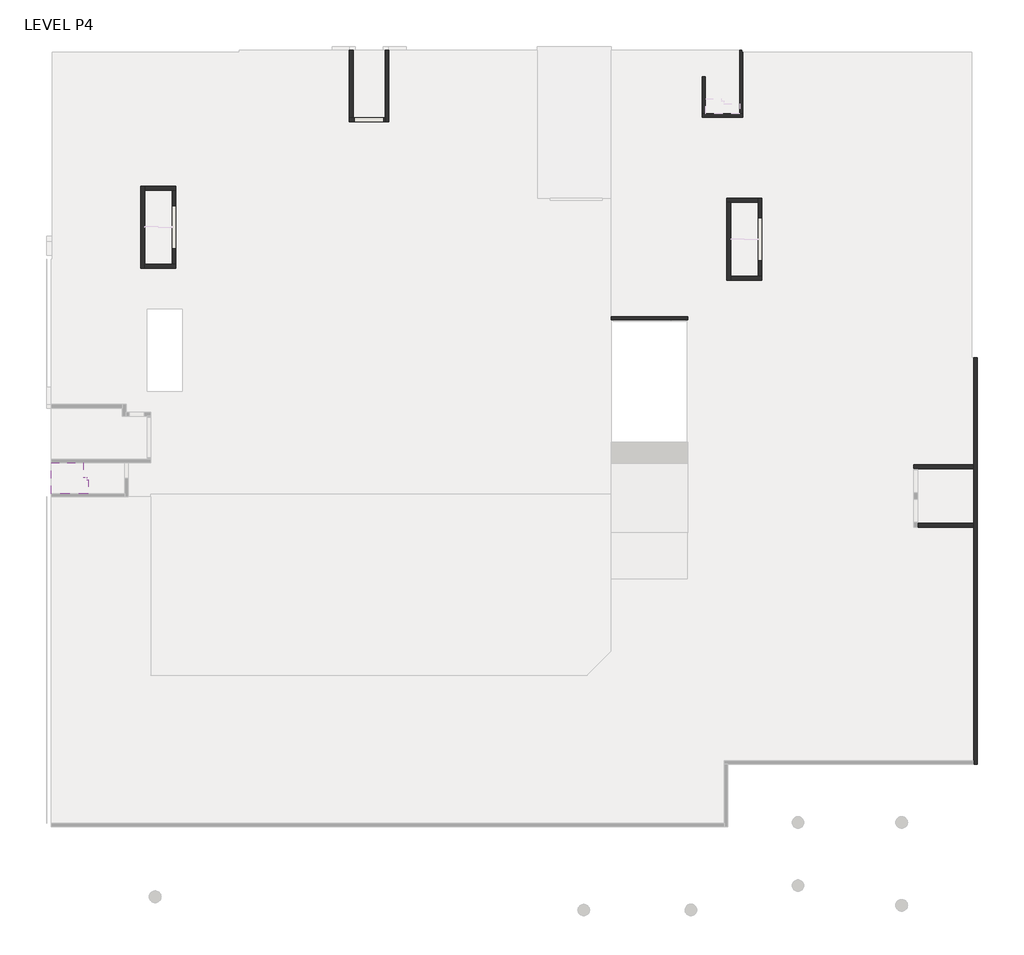
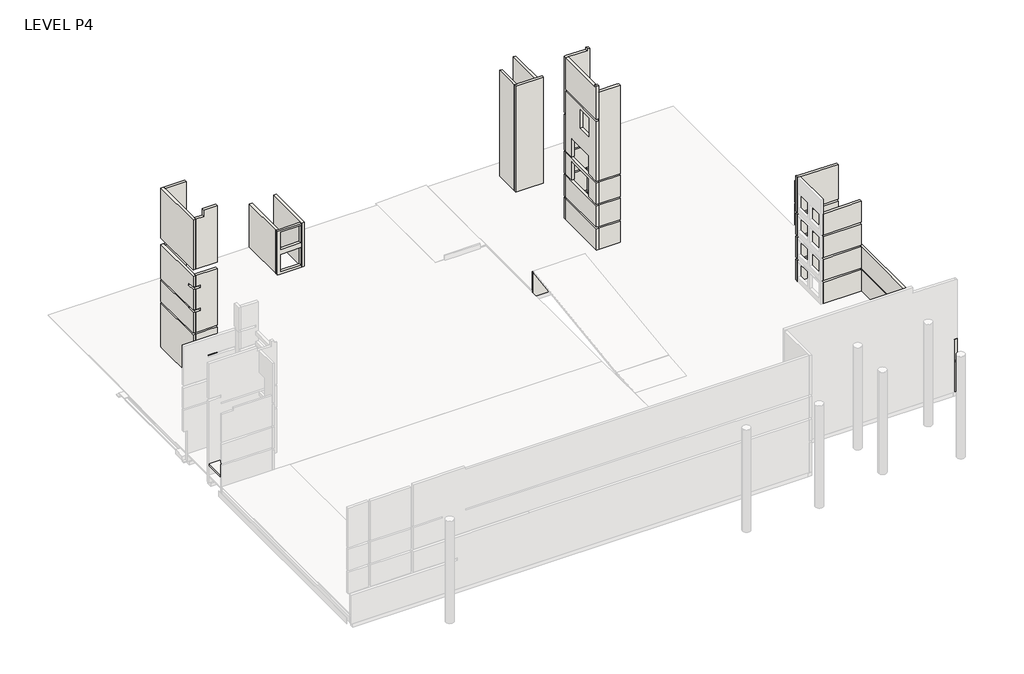
# One storey, part 2 of 4: 18 walls, 1 slab.
"""IFC4 building model written with IfcOpenShell, lengths in millimetres."""

from ifc_helpers import new_model, si_unit, frame, origin, place, context, project, spatial, polyline, outline, extrude, faceted_brep, element, save

model = new_model("IFC4")

# Units and contexts
model_context = context("Model", 3, world=origin())
ifc_project = project(units=[si_unit("LENGTHUNIT", "METRE", prefix="MILLI")], contexts=[model_context])

# Site, building, storey
site = spatial("IfcSite", under=ifc_project)
building = spatial("IfcBuilding", under=site)
storey = spatial("IfcBuildingStorey", under=building, Name="LEVEL P4", Elevation=-13800.0)

# Slab
placement = place(None, origin())
element("IfcSlab", 1, ObjectType="200 SLAB", at=placement, inside=storey, context=model_context, shape_type="SweptSolid", body=[
    extrude(outline(polyline([(181286.3204833, 183507.2325529), (178361.1491693, 183507.2325529), (178361.1491693, 185907.2325529), (180906.3204833, 185907.2325529), (180906.3204833, 184807.2325529), (181161.3204833, 184807.2325529), (181161.3204833, 184607.2325529), (181286.3204833, 184607.2325529), (181286.3204833, 183507.2325529)])), frame((0.0, 0.0, -12600.0), z_axis=(0.0, 0.0, 1.0), x_axis=(1.0, 0.0, 0.0)), (0.0, 0.0, 1.0), 200.0),
])

# Walls
element("IfcWall", 2, ObjectType="200 WALL", at=placement, inside=storey, context=model_context, shape_type="Brep", body=[
    faceted_brep([(222296.1491692, 197157.6490053, -14250.0), (226971.1491692, 197157.6490053, -14250.0), (226971.1491692, 197157.6490053, -14350.0), (228296.1491692, 197157.6490053, -14350.0), (228296.1491692, 197157.6490053, -11297.6240025), (222296.1491692, 197157.6490053, -11297.6240025), (226971.1491692, 197357.6490053, -14250.0), (222296.1491692, 197357.6490053, -14250.0), (222296.1491692, 197357.6490053, -11282.5555093), (228296.1491692, 197357.6490053, -11282.5555093), (228296.1491692, 197357.6490053, -14350.0), (226971.1491692, 197357.6490053, -14350.0)], [[[0, 1, 2, 3, 4, 5]], [[6, 7, 8, 9, 10, 11]], [[1, 0, 7, 6]], [[3, 10, 9, 4]], [[7, 0, 5, 8]], [[2, 1, 6, 11]], [[3, 2, 11, 10]], [[5, 4, 9, 8]]]),
])
element("IfcWall", 3, ObjectType="250 WALL", at=placement, inside=storey, context=model_context, shape_type="Brep", body=[
    faceted_brep([(232625.5971201, 213278.2318341, -14250.0), (232375.5971201, 213278.2318341, -14250.0), (229682.0250868, 213278.2318341, -14250.0), (229432.0250868, 213278.2318341, -14250.0), (229432.0250868, 213278.2318341, -660.0), (232625.5971201, 213278.2318341, -660.0), (232625.5971201, 213278.2318341, -1460.0), (232625.5971201, 213278.2318341, -5200.0), (232625.5971201, 213278.2318341, -5400.0), (232625.5971201, 213278.2318341, -8000.0), (232625.5971201, 213278.2318341, -8200.0), (232625.5971201, 213278.2318341, -10800.0), (232625.5971201, 213278.2318341, -11050.0), (232625.5971201, 213028.2318341, -14250.0), (232625.5971201, 213028.2318341, -660.0), (229432.0250868, 213028.2318341, -660.0), (229432.0250868, 213028.2318341, -14250.0)], [[[0, 1, 2, 3, 4, 5, 6, 7, 8, 9, 10, 11, 12]], [[13, 14, 15, 16]], [[3, 2, 1, 0, 13, 16]], [[5, 4, 15, 14]], [[4, 3, 16, 15]], [[0, 12, 11, 10, 9, 8, 7, 6, 5, 14, 13]]]),
])
element("IfcWall", 4, ObjectType="250 WALL", at=placement, inside=storey, context=model_context, shape_type="Brep", body=[
    faceted_brep([(229682.0250868, 213278.2318341, -14250.0), (229682.0250868, 216183.2318341, -14250.0), (229682.0250868, 216183.2318341, -650.0), (229682.0250868, 213278.2318341, -650.0), (229432.0250868, 213278.2318341, -14250.0), (229432.0250868, 213278.2318341, -660.0), (229432.0250868, 213278.2318341, -650.0), (229432.0250868, 216183.2318341, -650.0), (229432.0250868, 216183.2318341, -14250.0)], [[[0, 1, 2, 3]], [[4, 5, 6, 7, 8]], [[1, 0, 4, 8]], [[2, 1, 8, 7]], [[3, 2, 7, 6]], [[0, 3, 6, 5, 4]]]),
])
element("IfcWall", 5, ObjectType="250 WALL", at=placement, inside=storey, context=model_context, shape_type="Brep", body=[
    faceted_brep([(232375.5971201, 216763.2318341, -14250.0), (232375.5971201, 213278.2318341, -14250.0), (232375.5971201, 213278.2318341, -11000.0), (232375.5971201, 215734.5274851, -11000.0), (232375.5971201, 218263.2318341, -11000.0), (232375.5971201, 218263.2318341, -14050.0), (232375.5971201, 216763.2318341, -14050.0), (232625.5971201, 213278.2318341, -14250.0), (232625.5971201, 216763.2318341, -14250.0), (232625.5971201, 216763.2318341, -14050.0), (232625.5971201, 218113.2318341, -14050.0), (232625.5971201, 218113.2318341, -11050.0), (232625.5971201, 213278.2318341, -11050.0), (232377.4721706, 213278.2318341, -11050.0), (232377.4721706, 213278.2318341, -11000.0), (232525.5971201, 218263.2318341, -14050.0), (232525.5971201, 218113.2318341, -14050.0), (232377.4721706, 218263.2318341, -11000.0), (232377.4721706, 218263.2318341, -11050.0), (232525.5971201, 218263.2318341, -11050.0), (232525.5971201, 218263.2318341, -13950.0), (232525.5971201, 218113.2318341, -11050.0), (232525.5971201, 218113.2318341, -13950.0)], [[[0, 1, 2, 3, 4, 5, 6]], [[7, 8, 9, 10, 11, 12]], [[1, 7, 12, 13, 14, 2]], [[1, 0, 8, 7]], [[6, 5, 15, 16, 10, 9]], [[0, 6, 9, 8]], [[15, 5, 4, 17, 18, 19, 20]], [[16, 15, 20, 19, 21, 22]], [[10, 16, 22, 21, 11]], [[18, 13, 12, 11, 21, 19]], [[13, 18, 17, 14]], [[3, 2, 14, 17, 4]]]),
    faceted_brep([(232375.5971201, 213278.2318341, -1460.0), (232375.5971201, 218563.2318341, -1460.0), (232375.5971201, 218563.2318341, -5200.0), (232375.5971201, 217012.9612391, -5200.0), (232375.5971201, 213278.2318341, -5200.0), (232625.5971201, 218563.2318341, -1460.0), (232625.5971201, 218263.2318341, -1460.0), (232625.5971201, 213278.2318341, -1460.0), (232625.5971201, 213278.2318341, -5200.0), (232625.5971201, 218563.2318341, -5200.0)], [[[0, 1, 2, 3, 4]], [[5, 6, 7, 8, 9]], [[7, 0, 4, 8]], [[1, 0, 7, 6, 5]], [[1, 5, 9, 2]], [[3, 2, 9, 8, 4]]]),
    faceted_brep([(232375.5971201, 218263.2318341, -10800.0), (232375.5971201, 215734.5274851, -10800.0), (232375.5971201, 213278.2318341, -10800.0), (232375.5971201, 213278.2318341, -8200.0), (232375.5971201, 215734.5274851, -8200.0), (232375.5971201, 218263.2318341, -8200.0), (232625.5971201, 213278.2318341, -10800.0), (232625.5971201, 218113.2318341, -10800.0), (232625.5971201, 218113.2318341, -8200.0), (232625.5971201, 213278.2318341, -8200.0), (232525.5971201, 218263.2318341, -8200.0), (232525.5971201, 218263.2318341, -10800.0), (232525.5971201, 218113.2318341, -8200.0), (232525.5971201, 218113.2318341, -10800.0)], [[[0, 1, 2, 3, 4, 5]], [[6, 7, 8, 9]], [[2, 6, 9, 3]], [[10, 11, 0, 5]], [[11, 10, 12, 13]], [[8, 7, 13, 12]], [[7, 6, 2, 1, 0, 11, 13]], [[5, 4, 3, 9, 8, 12, 10]]]),
    faceted_brep([(232375.5971201, 218563.2318341, -8000.0), (232375.5971201, 215734.5274851, -8000.0), (232375.5971201, 213278.2318341, -8000.0), (232375.5971201, 213278.2318341, -5400.0), (232375.5971201, 217012.9612391, -5400.0), (232375.5971201, 218563.2318341, -5400.0), (232625.5971201, 213278.2318341, -8000.0), (232625.5971201, 218563.2318341, -8000.0), (232625.5971201, 218563.2318341, -5400.0), (232625.5971201, 213278.2318341, -5400.0)], [[[0, 1, 2, 3, 4, 5]], [[6, 7, 8, 9]], [[2, 6, 9, 3]], [[7, 0, 5, 8]], [[1, 0, 7, 6, 2]], [[5, 4, 3, 9, 8]]]),
])
element("IfcWall", 6, ObjectType="300 WALL", at=placement, inside=storey, context=model_context, shape_type="Brep", body=[
    faceted_brep([(251011.1491692, 178963.2322067, -14650.0), (251011.1491692, 187113.2318341, -14650.0), (251011.1491692, 187113.2318341, -14300.0), (251011.1491692, 187713.2318341, -14300.0), (251011.1491692, 187713.2318341, -13950.0), (251011.1491692, 194163.2322067, -13950.0), (251011.1491692, 194163.2322067, -11000.0), (251011.1491692, 185463.2318341, -11000.0), (251011.1491692, 185463.2318341, -10800.0), (251011.1491692, 194163.2322067, -10800.0), (251011.1491692, 194163.2322067, -8200.0), (251011.1491692, 185463.2318341, -8200.0), (251011.1491692, 181163.2322067, -8200.0), (251011.1491692, 162563.2318341, -8200.0), (251011.1491692, 162263.2318341, -8200.0), (251011.1491692, 162263.2318341, -10800.0), (251011.1491692, 181163.2322067, -10800.0), (251011.1491692, 181163.2322067, -11000.0), (251011.1491692, 162263.2318341, -11000.0), (251011.1491692, 162263.2318341, -14650.0), (250711.1491692, 187113.2318341, -14650.0), (250711.1491692, 180863.2322067, -14650.0), (250711.1491692, 178963.2322067, -14650.0), (250711.1491692, 162563.2318341, -14650.0), (250711.1491692, 162263.2318341, -14650.0), (250711.1491692, 162263.2318341, -11000.0), (250711.1491692, 180863.2322067, -11000.0), (250711.1491692, 181163.2322067, -11000.0), (250711.1491692, 181163.2322067, -10800.0), (250711.1491692, 180863.2322067, -10800.0), (250711.1491692, 162263.2318341, -10800.0), (250711.1491692, 162263.2318341, -8200.0), (250711.1491692, 162563.2318341, -8200.0), (250711.1491692, 180863.2322067, -8200.0), (250711.1491692, 181163.2322067, -8200.0), (250711.1491692, 185463.2318341, -8200.0), (250711.1491692, 185763.2318341, -8200.0), (250711.1491692, 194163.2322067, -8200.0), (250711.1491692, 194163.2322067, -10800.0), (250711.1491692, 185763.2318341, -10800.0), (250711.1491692, 185463.2318341, -10800.0), (250711.1491692, 185463.2318341, -11000.0), (250711.1491692, 185763.2318341, -11000.0), (250711.1491692, 194163.2322067, -11000.0), (250711.1491692, 194163.2322067, -13950.0), (250711.1491692, 187713.2318341, -13950.0), (250711.1491692, 187713.2318341, -14300.0), (250711.1491692, 187113.2318341, -14300.0)], [[[0, 1, 2, 3, 4, 5, 6, 7, 8, 9, 10, 11, 12, 13, 14, 15, 16, 17, 18, 19]], [[20, 21, 22, 23, 24, 25, 26, 27, 28, 29, 30, 31, 32, 33, 34, 35, 36, 37, 38, 39, 40, 41, 42, 43, 44, 45, 46, 47]], [[24, 19, 18, 25]], [[14, 31, 30, 15]], [[41, 7, 6, 43, 42]], [[17, 27, 26, 25, 18]], [[8, 40, 39, 38, 9]], [[28, 16, 15, 30, 29]], [[7, 41, 40, 8]], [[27, 17, 16, 28]], [[1, 0, 22, 21, 20]], [[37, 10, 9, 38]], [[5, 44, 43, 6]], [[14, 13, 12, 11, 10, 37, 36, 35, 34, 33, 32, 31]], [[0, 19, 24, 23, 22]], [[2, 1, 20, 47]], [[5, 4, 45, 44]], [[3, 2, 47, 46]], [[4, 3, 46, 45]]]),
])
element("IfcWall", 7, ObjectType="300 WALL", at=placement, inside=storey, context=model_context, shape_type="Brep", body=[
    faceted_brep([(246011.1491692, 185463.2318341, -14750.0), (246311.1491692, 185463.2318341, -14750.0), (250711.1491692, 185463.2318341, -14750.0), (250711.1491692, 185463.2318341, -11000.0), (246311.1491692, 185463.2318341, -11000.0), (246011.1491692, 185463.2318341, -11000.0), (250711.1491692, 185763.2318341, -14750.0), (246011.1491692, 185763.2318341, -14750.0), (246011.1491692, 185763.2318341, -11000.0), (250711.1491692, 185763.2318341, -11000.0)], [[[0, 1, 2, 3, 4, 5]], [[6, 7, 8, 9]], [[5, 8, 7, 0]], [[9, 3, 2, 6]], [[4, 3, 9, 8, 5]], [[2, 1, 0, 7, 6]]]),
    faceted_brep([(246311.1491692, 185463.2318341, -10800.0), (250711.1491692, 185463.2318341, -10800.0), (250711.1491692, 185463.2318341, -8200.0), (246311.1491692, 185463.2318341, -8200.0), (246011.1491692, 185463.2318341, -8200.0), (246011.1491692, 185463.2318341, -10800.0), (250711.1491692, 185763.2318341, -10800.0), (246011.1491692, 185763.2318341, -10800.0), (246011.1491692, 185763.2318341, -8200.0), (250711.1491692, 185763.2318341, -8200.0)], [[[0, 1, 2, 3, 4, 5]], [[6, 7, 8, 9]], [[7, 5, 4, 8]], [[1, 6, 9, 2]], [[1, 0, 5, 7, 6]], [[3, 2, 9, 8, 4]]]),
    faceted_brep([(246011.1491692, 185463.2318341, -5200.0), (246311.1491692, 185463.2318341, -5200.0), (250711.1491692, 185463.2318341, -5200.0), (250711.1491692, 185463.2318341, -991.2738232), (248711.1491692, 185463.2318341, -932.3767887), (246311.1491692, 185463.2318341, -861.7003473), (246011.1491692, 185463.2318341, -852.8657922), (250711.1491692, 185763.2318341, -5200.0), (246011.1491692, 185763.2318341, -5200.0), (246011.1491692, 185763.2318341, -1980.0), (246011.1491692, 185763.2318341, -852.8657922), (246311.1491692, 185763.2318341, -861.7003473), (250711.1491692, 185763.2318341, -991.2738232)], [[[0, 1, 2, 3, 4, 5, 6]], [[7, 8, 9, 10, 11, 12]], [[8, 0, 6, 10, 9]], [[2, 7, 12, 3]], [[4, 3, 12, 11, 10, 6, 5]], [[1, 0, 8, 7, 2]]]),
    faceted_brep([(246311.1491692, 185463.2318341, -5400.0), (246011.1491692, 185463.2318341, -5400.0), (246011.1491692, 185463.2318341, -8000.0), (246311.1491692, 185463.2318341, -8000.0), (250711.1491692, 185463.2318341, -8000.0), (250711.1491692, 185463.2318341, -5400.0), (246011.1491692, 185763.2318341, -5400.0), (250711.1491692, 185763.2318341, -5400.0), (250711.1491692, 185763.2318341, -8000.0), (246011.1491692, 185763.2318341, -8000.0)], [[[0, 1, 2, 3, 4, 5]], [[6, 7, 8, 9]], [[1, 6, 9, 2]], [[7, 5, 4, 8]], [[1, 0, 5, 7, 6]], [[4, 3, 2, 9, 8]]]),
])
element("IfcWall", 8, ObjectType="300 WALL", at=placement, inside=storey, context=model_context, shape_type="SweptSolid", body=[
    extrude(outline(polyline([(246311.1491692, 181163.2322067), (250711.1491692, 181163.2322067), (250711.1491692, 180863.2322067), (246311.1491692, 180863.2322067), (246311.1491692, 181163.2322067)])), frame((0.0, 0.0, -14750.0), z_axis=(0.0, 0.0, 1.0), x_axis=(1.0, 0.0, 0.0)), (0.0, 0.0, 1.0), 3750.0),
    extrude(outline(polyline([(180863.2322067, -2643.5714289), (181163.2322067, -2650.0), (181163.2322067, -5200.0), (180863.2322067, -5200.0), (180863.2322067, -2643.5714289)])), frame((246311.1491692, 0.0, 0.0), z_axis=(1.0, 0.0, 0.0), x_axis=(0.0, 1.0, 0.0)), (0.0, 0.0, 1.0), 4400.0),
    extrude(outline(polyline([(246311.1491692, 181163.2322067), (250711.1491692, 181163.2322067), (250711.1491692, 180863.2322067), (246311.1491692, 180863.2322067), (246311.1491692, 181163.2322067)])), frame((0.0, 0.0, -10800.0), z_axis=(0.0, 0.0, 1.0), x_axis=(1.0, 0.0, 0.0)), (0.0, 0.0, 1.0), 2600.0),
    extrude(outline(polyline([(246311.1491692, 181163.2322067), (250711.1491692, 181163.2322067), (250711.1491692, 180863.2322067), (246311.1491692, 180863.2322067), (246311.1491692, 181163.2322067)])), frame((0.0, 0.0, -8000.0), z_axis=(0.0, 0.0, 1.0), x_axis=(1.0, 0.0, 0.0)), (0.0, 0.0, 1.0), 2600.0),
])
element("IfcWall", 9, ObjectType="300 WALL", at=placement, inside=storey, context=model_context, shape_type="Brep", body=[
    faceted_brep([(185401.1489205, 207608.1983002, -15850.0), (185401.1489205, 201193.1983002, -15850.0), (185401.1489205, 201193.1983002, -8400.0), (185401.1489205, 207608.1983002, -8400.0), (185701.1489205, 201193.1983002, -15850.0), (185701.1489205, 201493.1983002, -15850.0), (185701.1489205, 207308.1983002, -15850.0), (185701.1489205, 207608.1983002, -15850.0), (185701.1489205, 207608.1983002, -8400.0), (185701.1489205, 207308.2322067, -8400.0), (185701.1489205, 201493.2322067, -8400.0), (185701.1489205, 201193.1983002, -8400.0)], [[[0, 1, 2, 3]], [[4, 5, 6, 7, 8, 9, 10, 11]], [[1, 0, 7, 6, 5, 4]], [[7, 0, 3, 8]], [[1, 4, 11, 2]], [[3, 2, 11, 10, 9, 8]]]),
    faceted_brep([(185401.1489205, 207608.1983002, -8200.0), (185401.1489205, 201193.1983002, -8200.0), (185401.1489205, 201193.1983002, -5700.0), (185401.1489205, 202193.1983002, -5700.0), (185401.1489205, 202193.1983002, -5600.0), (185401.1489205, 207608.1983002, -5600.0), (185701.1489205, 207308.2322067, -8200.0), (185701.1489205, 207608.1983002, -8200.0), (185701.1489205, 207608.1983002, -5600.0), (185701.1489205, 207308.1983002, -5600.0), (185701.1489205, 202193.1983002, -5600.0), (185701.1489205, 202193.1983002, -5700.0), (185701.1489205, 201493.1983002, -5700.0), (185701.1489205, 201193.1983002, -5700.0), (185701.1489205, 201193.1983002, -8200.0), (185701.1489205, 201493.2322067, -8200.0)], [[[0, 1, 2, 3, 4, 5]], [[6, 7, 8, 9, 10, 11, 12, 13, 14, 15]], [[7, 0, 5, 8]], [[1, 14, 13, 2]], [[1, 0, 7, 6, 15, 14]], [[11, 3, 2, 13, 12]], [[3, 11, 10, 4]], [[5, 4, 10, 9, 8]]]),
    faceted_brep([(185401.1489205, 201193.1983002, -5400.0), (185401.1489205, 201193.1983002, -2900.0), (185401.1489205, 202182.2325529, -2900.0), (185401.1489205, 202182.2325529, -2600.0), (185401.1489205, 201193.1983002, -2600.0), (185401.1489205, 201193.1983002, -1280.0), (185401.1489205, 207608.1983002, -1280.0), (185401.1489205, 207608.1983002, -5400.0), (185701.1489205, 201193.1983002, -2900.0), (185701.1489205, 201193.1983002, -5400.0), (185701.1489205, 201493.1983002, -5400.0), (185701.1489205, 202182.2325529, -5400.0), (185701.1489205, 207308.1983002, -5400.0), (185701.1489205, 207608.1983002, -5400.0), (185701.1489205, 207608.1983002, -1280.0), (185701.1489205, 207308.1983002, -1280.0), (185701.1489205, 201493.1983002, -1280.0), (185701.1489205, 201193.1983002, -1280.0), (185701.1489205, 201193.1983002, -2600.0), (185701.1489205, 201493.1983002, -2600.0), (185701.1489205, 202182.2325529, -2600.0), (185701.1489205, 202182.2325529, -2900.0), (185701.1489205, 201493.1983002, -2900.0)], [[[0, 1, 2, 3, 4, 5, 6, 7]], [[8, 9, 10, 11, 12, 13, 14, 15, 16, 17, 18, 19, 20, 21, 22]], [[6, 14, 13, 7]], [[0, 9, 8, 1]], [[4, 18, 17, 5]], [[9, 0, 7, 13, 12, 11, 10]], [[21, 2, 1, 8, 22]], [[3, 20, 19, 18, 4]], [[2, 21, 20, 3]], [[6, 5, 17, 16, 15, 14]]]),
    faceted_brep([(185401.1489205, 207608.1983002, -480.0), (185401.1489205, 201493.2322067, -480.0), (185401.1489205, 201193.1983002, -480.0), (185401.1489205, 201193.1983002, 5600.0), (185401.1489205, 207608.1983002, 5600.0), (185701.1489205, 201193.1983002, -480.0), (185701.1489205, 201493.1983002, -480.0), (185701.1489205, 207308.1983002, -480.0), (185701.1489205, 207608.1983002, -480.0), (185701.1489205, 207608.1983002, 5600.0), (185701.1489205, 207308.2322067, 5600.0), (185701.1489205, 201493.2322067, 5600.0), (185701.1489205, 201193.1983002, 5600.0)], [[[0, 1, 2, 3, 4]], [[5, 6, 7, 8, 9, 10, 11, 12]], [[8, 0, 4, 9]], [[2, 5, 12, 3]], [[2, 1, 0, 8, 7, 6, 5]], [[4, 3, 12, 11, 10, 9]]]),
])
element("IfcWall", 10, ObjectType="300 WALL", at=placement, inside=storey, context=model_context, shape_type="Brep", body=[
    faceted_brep([(185701.1489205, 201193.1983002, -15850.0), (188161.1489205, 201193.1983002, -15850.0), (188161.1489205, 201193.1983002, -8400.0), (187556.1491692, 201193.1983002, -8400.0), (186201.1489175, 201193.1983002, -8400.0), (186041.1489175, 201193.1983002, -8400.0), (185701.1489205, 201193.1983002, -8400.0), (188161.1489205, 201493.1983002, -15850.0), (187861.1489205, 201493.1983002, -15850.0), (185701.1489205, 201493.1983002, -15850.0), (185701.1489205, 201493.1983002, -8400.0), (187861.1489205, 201493.1983002, -8400.0), (188161.1489205, 201493.1983002, -8400.0), (188161.1489205, 201493.1983002, -11000.0), (188161.1489205, 201493.1983002, -11200.0)], [[[0, 1, 2, 3, 4, 5, 6]], [[7, 8, 9, 10, 11, 12, 13, 14]], [[1, 0, 9, 8, 7]], [[9, 0, 6, 10]], [[1, 7, 14, 13, 12, 2]], [[3, 2, 12, 11, 10, 6, 5, 4]]]),
    faceted_brep([(186201.1489175, 201193.1983002, -2900.0), (185701.1489205, 201193.1983002, -2900.0), (185701.1489205, 201193.1983002, -5400.0), (186201.1489175, 201193.1983002, -5400.0), (186201.1489175, 201193.1983002, -5700.0), (185701.1489205, 201193.1983002, -5700.0), (185701.1489205, 201193.1983002, -8200.0), (186041.1489175, 201193.1983002, -8200.0), (186201.1489175, 201193.1983002, -8200.0), (187556.1491692, 201193.1983002, -8200.0), (188161.1489205, 201193.1983002, -8200.0), (188161.1489205, 201193.1983002, -1280.0), (188021.1489205, 201193.1983002, -1280.0), (185701.1489205, 201193.1983002, -1280.0), (185701.1489205, 201193.1983002, -2600.0), (186201.1489175, 201193.1983002, -2600.0), (185701.1489205, 201493.1983002, -2900.0), (186201.1489175, 201493.1983002, -2900.0), (186201.1489175, 201493.1983002, -2600.0), (185701.1489205, 201493.1983002, -2600.0), (185701.1489205, 201493.1983002, -1280.0), (187861.1489205, 201493.1983002, -1280.0), (188161.1489205, 201493.1983002, -1280.0), (188161.1489205, 201493.1983002, -5424.0), (188161.1489205, 201493.1983002, -5450.0), (188161.1489205, 201493.1983002, -5650.0), (188161.1489205, 201493.1983002, -8200.0), (187861.1489205, 201493.1983002, -8200.0), (185701.1489205, 201493.1983002, -8200.0), (185701.1489205, 201493.1983002, -5700.0), (186201.1489175, 201493.1983002, -5700.0), (186201.1489175, 201493.1983002, -5400.0), (185701.1489205, 201493.1983002, -5400.0)], [[[0, 1, 2, 3, 4, 5, 6, 7, 8, 9, 10, 11, 12, 13, 14, 15]], [[16, 17, 18, 19, 20, 21, 22, 23, 24, 25, 26, 27, 28, 29, 30, 31, 32]], [[1, 16, 32, 2]], [[19, 14, 13, 20]], [[28, 6, 5, 29]], [[22, 11, 10, 26, 25, 24, 23]], [[0, 17, 16, 1]], [[18, 15, 14, 19]], [[17, 0, 15, 18]], [[12, 11, 22, 21, 20, 13]], [[10, 9, 8, 7, 6, 28, 27, 26]], [[4, 30, 29, 5]], [[31, 3, 2, 32]], [[30, 4, 3, 31]]]),
    faceted_brep([(188021.1489205, 201193.1983002, -480.0), (188161.1489205, 201193.1983002, -480.0), (188161.1489205, 201193.1983002, 6400.0), (186631.1489175, 201193.1983002, 6400.0), (186631.1489175, 201193.1983002, 5600.0), (185701.1489205, 201193.1983002, 5600.0), (185701.1489205, 201193.1983002, 2670.0), (185701.1489205, 201193.1983002, 2420.0), (185701.1489205, 201193.1983002, -480.0), (187861.1489205, 201493.1983002, -480.0), (186201.1489175, 201493.1983002, -480.0), (185701.1489205, 201493.1983002, -480.0), (185701.1489205, 201493.1983002, 5600.0), (186631.1489175, 201493.1983002, 5600.0), (186631.1489175, 201493.1983002, 6400.0), (188161.1489205, 201493.1983002, 6400.0), (188161.1489205, 201493.1983002, 6200.0), (188161.1489205, 201493.1983002, 2670.0), (188161.1489205, 201493.1983002, 2420.0), (188161.1489205, 201493.1983002, -480.0)], [[[0, 1, 2, 3, 4, 5, 6, 7, 8]], [[9, 10, 11, 12, 13, 14, 15, 16, 17, 18, 19]], [[2, 15, 14, 3]], [[11, 8, 7, 6, 5, 12]], [[15, 2, 1, 19, 18, 17, 16]], [[1, 0, 8, 11, 10, 9, 19]], [[4, 13, 12, 5]], [[13, 4, 3, 14]]]),
])
element("IfcWall", 11, ObjectType="300 WALL", at=placement, inside=storey, context=model_context, shape_type="Brep", body=[
    faceted_brep([(188161.1489205, 207608.1983002, -15850.0), (185701.1489205, 207608.1983002, -15850.0), (185701.1489205, 207608.1983002, -8400.0), (188161.1489205, 207608.1983002, -8400.0), (185701.1489205, 207308.1983002, -15850.0), (187861.1489205, 207308.1983002, -15850.0), (188161.1489205, 207308.1983002, -15850.0), (188161.1489205, 207308.1983002, -11200.0), (188161.1489205, 207308.1983002, -11000.0), (188161.1489205, 207308.1983002, -8400.0), (187861.1489205, 207308.1983002, -8400.0), (185701.1489205, 207308.1983002, -8400.0)], [[[0, 1, 2, 3]], [[4, 5, 6, 7, 8, 9, 10, 11]], [[1, 0, 6, 5, 4]], [[1, 4, 11, 2]], [[6, 0, 3, 9, 8, 7]], [[3, 2, 11, 10, 9]]]),
    faceted_brep([(185701.1489205, 207608.1983002, -1280.0), (188161.1489205, 207608.1983002, -1280.0), (188161.1489205, 207608.1983002, -5400.0), (185701.1489205, 207608.1983002, -5400.0), (188161.1489205, 207308.1983002, -1280.0), (187861.1489205, 207308.1983002, -1280.0), (185701.1489205, 207308.1983002, -1280.0), (185701.1489205, 207308.1983002, -5400.0), (188161.1489205, 207308.1983002, -5400.0)], [[[0, 1, 2, 3]], [[4, 5, 6, 7, 8]], [[6, 0, 3, 7]], [[1, 4, 8, 2]], [[1, 0, 6, 5, 4]], [[3, 2, 8, 7]]]),
    faceted_brep([(188161.1489205, 207608.1983002, -480.0), (185701.1489205, 207608.1983002, -480.0), (185701.1489205, 207608.1983002, 2420.0), (185701.1489205, 207608.1983002, 2670.0), (185701.1489205, 207608.1983002, 5600.0), (188161.1489205, 207608.1983002, 5600.0), (187861.1489205, 207308.1983002, -480.0), (188161.1489205, 207308.1983002, -480.0), (188161.1489205, 207308.1983002, 2420.0), (188161.1489205, 207308.1983002, 2670.0), (188161.1489205, 207308.1983002, 5600.0), (185701.1489205, 207308.1983002, 5600.0), (185701.1489205, 207308.1983002, -480.0)], [[[0, 1, 2, 3, 4, 5]], [[6, 7, 8, 9, 10, 11, 12]], [[1, 12, 11, 4, 3, 2]], [[7, 0, 5, 10, 9, 8]], [[1, 0, 7, 6, 12]], [[5, 4, 11, 10]]]),
    faceted_brep([(185701.1489205, 207608.1983002, -5600.0), (188161.1489205, 207608.1983002, -5600.0), (188161.1489205, 207608.1983002, -8200.0), (185701.1489205, 207608.1983002, -8200.0), (188161.1489205, 207308.1983002, -5600.0), (185701.1489205, 207308.1983002, -5600.0), (185701.1489205, 207308.1983002, -8200.0), (187861.1489205, 207308.1983002, -8200.0), (188161.1489205, 207308.1983002, -8200.0), (188161.1489205, 207308.1983002, -5650.0)], [[[0, 1, 2, 3]], [[4, 5, 6, 7, 8, 9]], [[5, 0, 3, 6]], [[1, 4, 9, 8, 2]], [[1, 0, 5, 4]], [[3, 2, 8, 7, 6]]]),
])
element("IfcWall", 12, ObjectType="300 WALL", at=placement, inside=storey, context=model_context, shape_type="Brep", body=[
    faceted_brep([(231352.4721706, 206363.2322067, -15650.0), (231652.4721706, 206363.2322067, -15650.0), (233812.4721706, 206363.2322067, -15650.0), (233812.4721706, 206363.2322067, -11000.0), (231652.4721706, 206363.2322067, -11000.0), (231352.4721706, 206363.2322067, -11000.0), (233812.4721706, 206663.2322067, -15650.0), (231352.4721706, 206663.2322067, -15650.0), (231352.4721706, 206663.2322067, -11000.0), (233812.4721706, 206663.2322067, -11000.0), (233812.4721706, 206663.2322067, -11050.0)], [[[0, 1, 2, 3, 4, 5]], [[6, 7, 8, 9, 10]], [[2, 1, 0, 7, 6]], [[7, 0, 5, 8]], [[2, 6, 10, 9, 3]], [[4, 3, 9, 8, 5]]]),
    faceted_brep([(233812.4721706, 206363.2322067, -8200.0), (231652.4721706, 206363.2322067, -8200.0), (231352.4721706, 206363.2322067, -8200.0), (231352.4721706, 206363.2322067, -10800.0), (231652.4721706, 206363.2322067, -10800.0), (233812.4721706, 206363.2322067, -10800.0), (231352.4721706, 206663.2322067, -8200.0), (233812.4721706, 206663.2322067, -8200.0), (233812.4721706, 206663.2322067, -10800.0), (231352.4721706, 206663.2322067, -10800.0)], [[[0, 1, 2, 3, 4, 5]], [[6, 7, 8, 9]], [[2, 6, 9, 3]], [[7, 0, 5, 8]], [[1, 0, 7, 6, 2]], [[5, 4, 3, 9, 8]]]),
    faceted_brep([(231652.4721706, 206363.2322067, 6200.0), (231352.4721706, 206363.2322067, 6200.0), (231352.4721706, 206363.2322067, 2340.0), (231352.4721706, 206363.2322067, 2090.0), (231352.4721706, 206363.2322067, -660.0), (231651.1491692, 206363.2322067, -660.0), (232375.5971201, 206363.2322067, -660.0), (232375.5971201, 206363.2322067, -910.0), (231651.1491692, 206363.2322067, -910.0), (231352.4721706, 206363.2322067, -910.0), (231352.4721706, 206363.2322067, -5200.0), (231652.4721706, 206363.2322067, -5200.0), (233812.4721706, 206363.2322067, -5200.0), (234112.4721706, 206363.2322067, -5200.0), (234112.4721706, 206363.2322067, -1460.0), (234112.4721706, 206363.2322067, -340.0), (234112.4721706, 206363.2322067, 5600.0), (234112.4721706, 206363.2322067, 6400.0), (233811.1491692, 206363.2322067, 6400.0), (233811.1491692, 206363.2322067, 6200.0), (231352.4721706, 206663.2322067, 6200.0), (231601.5721706, 206663.2322067, 6200.0), (233811.1491692, 206663.2322067, 6200.0), (233811.1491692, 206663.2322067, 6400.0), (234112.4721706, 206663.2322067, 6400.0), (234112.4721706, 206663.2322067, -5200.0), (231352.4721706, 206663.2322067, -5200.0), (231352.4721706, 206663.2322067, -910.0), (231601.5721706, 206663.2322067, -910.0), (232375.5971201, 206663.2322067, -910.0), (232375.5971201, 206663.2322067, -660.0), (231601.5721706, 206663.2322067, -660.0), (231352.4721706, 206663.2322067, -660.0)], [[[0, 1, 2, 3, 4, 5, 6, 7, 8, 9, 10, 11, 12, 13, 14, 15, 16, 17, 18, 19]], [[20, 21, 22, 23, 24, 25, 26, 27, 28, 29, 30, 31, 32]], [[17, 24, 23, 18]], [[1, 20, 32, 4, 3, 2]], [[9, 27, 26, 10]], [[24, 17, 16, 15, 14, 13, 25]], [[19, 22, 21, 20, 1, 0]], [[22, 19, 18, 23]], [[7, 29, 28, 27, 9, 8]], [[30, 6, 5, 4, 32, 31]], [[29, 7, 6, 30]], [[13, 12, 11, 10, 26, 25]]]),
    faceted_brep([(234112.4721706, 206363.2322067, -5400.0), (233812.4721706, 206363.2322067, -5400.0), (231652.4721706, 206363.2322067, -5400.0), (231352.4721706, 206363.2322067, -5400.0), (231352.4721706, 206363.2322067, -8000.0), (231652.4721706, 206363.2322067, -8000.0), (233812.4721706, 206363.2322067, -8000.0), (234112.4721706, 206363.2322067, -8000.0), (231352.4721706, 206663.2322067, -5400.0), (234112.4721706, 206663.2322067, -5400.0), (234112.4721706, 206663.2322067, -5600.0), (234112.4721706, 206663.2322067, -8000.0), (231352.4721706, 206663.2322067, -8000.0)], [[[0, 1, 2, 3, 4, 5, 6, 7]], [[8, 9, 10, 11, 12]], [[3, 8, 12, 4]], [[9, 0, 7, 11, 10]], [[1, 0, 9, 8, 3, 2]], [[7, 6, 5, 4, 12, 11]]]),
])
element("IfcWall", 13, ObjectType="300 WALL", at=placement, inside=storey, context=model_context, shape_type="Brep", body=[
    faceted_brep([(231352.4721706, 206363.2322067, -15650.0), (231352.4721706, 200248.1983002, -15650.0), (231352.4721706, 200248.1983002, -11000.0), (231352.4721706, 206363.2322067, -11000.0), (231652.4721706, 200248.1983002, -15650.0), (231652.4721706, 200548.1983002, -15650.0), (231652.4721706, 206363.2322067, -15650.0), (231652.4721706, 206363.2322067, -11000.0), (231652.4721706, 200548.1983002, -11000.0), (231652.4721706, 200248.1983002, -11000.0)], [[[0, 1, 2, 3]], [[4, 5, 6, 7, 8, 9]], [[1, 0, 6, 5, 4]], [[1, 4, 9, 2]], [[6, 0, 3, 7]], [[3, 2, 9, 8, 7]]]),
    faceted_brep([(231352.4721706, 201773.2322067, -5765.0), (231352.4721706, 201773.2322067, -8000.0), (231352.4721706, 200248.1983002, -8000.0), (231352.4721706, 200248.1983002, -5400.0), (231352.4721706, 206363.2322067, -5400.0), (231352.4721706, 206363.2322067, -8000.0), (231352.4721706, 205138.2322067, -8000.0), (231352.4721706, 205138.2322067, -5765.0), (231652.4721706, 201773.2322067, -8000.0), (231652.4721706, 201773.2322067, -5765.0), (231652.4721706, 205138.2322067, -5765.0), (231652.4721706, 205138.2322067, -8000.0), (231652.4721706, 206363.2322067, -8000.0), (231652.4721706, 206363.2322067, -5400.0), (231652.4721706, 200548.1983002, -5400.0), (231652.4721706, 200248.1983002, -5400.0), (231652.4721706, 200248.1983002, -8000.0), (231652.4721706, 200548.1983002, -8000.0)], [[[0, 1, 2, 3, 4, 5, 6, 7]], [[8, 9, 10, 11, 12, 13, 14, 15, 16, 17]], [[15, 3, 2, 16]], [[4, 13, 12, 5]], [[0, 9, 8, 1]], [[9, 0, 7, 10]], [[7, 6, 11, 10]], [[4, 3, 15, 14, 13]], [[2, 1, 8, 17, 16]], [[6, 5, 12, 11]]]),
    faceted_brep([(231352.4721706, 201773.2322067, -2965.0), (231352.4721706, 201773.2322067, -5200.0), (231352.4721706, 200248.1983002, -5200.0), (231352.4721706, 200248.1983002, 2090.0), (231352.4721706, 206363.2322067, 2090.0), (231352.4721706, 206363.2322067, -660.0), (231352.4721706, 206363.2322067, -910.0), (231352.4721706, 206363.2322067, -5200.0), (231352.4721706, 205138.2322067, -5200.0), (231352.4721706, 205138.2322067, -2965.0), (231352.4721706, 203475.0326131, -660.0), (231352.4721706, 203475.0326131, 1575.0), (231352.4721706, 201785.0326131, 1575.0), (231352.4721706, 201785.0326131, -660.0), (231352.4721706, 200248.1983002, 6400.0), (231352.4721706, 200548.2322067, 6400.0), (231352.4721706, 200548.2322067, 6200.0), (231352.4721706, 206363.2322067, 6200.0), (231352.4721706, 206363.2322067, 2340.0), (231352.4721706, 200248.1983002, 2340.0), (231652.4721706, 201773.2322067, -5200.0), (231652.4721706, 201773.2322067, -2965.0), (231652.4721706, 205138.2322067, -2965.0), (231652.4721706, 205138.2322067, -5200.0), (231652.4721706, 206363.2322067, -5200.0), (231652.4721706, 206363.2322067, 6200.0), (231652.4721706, 200548.2322067, 6200.0), (231652.4721706, 200548.2322067, 6400.0), (231652.4721706, 200248.1983002, 6400.0), (231652.4721706, 200248.1983002, 5600.0), (231652.4721706, 200248.1983002, -5200.0), (231652.4721706, 200548.1983002, -5200.0), (231652.4721706, 203475.0326131, 1575.0), (231652.4721706, 203475.0326131, -660.0), (231652.4721706, 201785.0326131, -660.0), (231652.4721706, 201785.0326131, 1575.0), (231651.1491692, 200248.1983002, 2340.0), (231651.1491692, 200248.1983002, 2090.0), (231651.1491692, 206363.2322067, 2090.0), (231651.1491692, 206363.2322067, 2340.0)], [[[0, 1, 2, 3, 4, 5, 6, 7, 8, 9], [10, 11, 12, 13]], [[14, 15, 16, 17, 18, 19]], [[20, 21, 22, 23, 24, 25, 26, 27, 28, 29, 30, 31], [32, 33, 34, 35]], [[14, 28, 27, 15]], [[28, 14, 19, 36, 37, 3, 2, 30, 29]], [[17, 25, 24, 7, 6, 5, 4, 38, 39, 18]], [[11, 10, 33, 32]], [[12, 11, 32, 35]], [[13, 12, 35, 34]], [[10, 13, 34, 33]], [[0, 21, 20, 1]], [[21, 0, 9, 22]], [[22, 9, 8, 23]], [[16, 26, 25, 17]], [[26, 16, 15, 27]], [[37, 38, 4, 3]], [[39, 36, 19, 18]], [[38, 37, 36, 39]], [[2, 1, 20, 31, 30]], [[8, 7, 24, 23]]]),
    faceted_brep([(231352.4721706, 200248.1983002, -8200.0), (231352.4721706, 206363.2322067, -8200.0), (231352.4721706, 206363.2322067, -10800.0), (231352.4721706, 200248.1983002, -10800.0), (231652.4721706, 206363.2322067, -8200.0), (231652.4721706, 200548.1983002, -8200.0), (231652.4721706, 200248.1983002, -8200.0), (231652.4721706, 200248.1983002, -10800.0), (231652.4721706, 200548.1983002, -10800.0), (231652.4721706, 206363.2322067, -10800.0)], [[[0, 1, 2, 3]], [[4, 5, 6, 7, 8, 9]], [[6, 0, 3, 7]], [[1, 4, 9, 2]], [[1, 0, 6, 5, 4]], [[3, 2, 9, 8, 7]]]),
])
element("IfcWall", 14, ObjectType="300 WALL", at=placement, inside=storey, context=model_context, shape_type="Brep", body=[
    faceted_brep([(231652.4721706, 200248.1983002, -15650.0), (234112.4721706, 200248.1983002, -15650.0), (234112.4721706, 200248.1983002, -11000.0), (231652.4721706, 200248.1983002, -11000.0), (234112.4721706, 200548.1983002, -15650.0), (233812.4721706, 200548.1983002, -15650.0), (231652.4721706, 200548.1983002, -15650.0), (231652.4721706, 200548.1983002, -11000.0), (233812.4721706, 200548.1983002, -11000.0), (234112.4721706, 200548.1983002, -11000.0), (234112.4721706, 200548.1983002, -11050.0)], [[[0, 1, 2, 3]], [[4, 5, 6, 7, 8, 9, 10]], [[1, 0, 6, 5, 4]], [[6, 0, 3, 7]], [[1, 4, 10, 9, 2]], [[3, 2, 9, 8, 7]]]),
    faceted_brep([(234112.4721706, 200248.1983002, 5600.0), (231652.4721706, 200248.1983002, 5600.0), (231652.4721706, 200248.1983002, -5200.0), (234112.4721706, 200248.1983002, -5200.0), (231652.4721706, 200548.1983002, 5600.0), (233812.4721706, 200548.1983002, 5600.0), (234112.4721706, 200548.1983002, 5600.0), (234112.4721706, 200548.1983002, -5200.0), (233812.4721706, 200548.1983002, -5200.0), (231652.4721706, 200548.1983002, -5200.0), (234112.4721706, 200388.1983002, -5200.0)], [[[0, 1, 2, 3]], [[4, 5, 6, 7, 8, 9]], [[1, 4, 9, 2]], [[6, 0, 3, 10, 7]], [[1, 0, 6, 5, 4]], [[3, 2, 9, 8, 7, 10]]]),
    faceted_brep([(234112.4721706, 200248.1983002, -5400.0), (231652.4721706, 200248.1983002, -5400.0), (231652.4721706, 200248.1983002, -8000.0), (234112.4721706, 200248.1983002, -8000.0), (231652.4721706, 200548.1983002, -5400.0), (233812.4721706, 200548.1983002, -5400.0), (234112.4721706, 200548.1983002, -5400.0), (234112.4721706, 200548.1983002, -8000.0), (233812.4721706, 200548.1983002, -8000.0), (231652.4721706, 200548.1983002, -8000.0), (234112.4721706, 200388.1983002, -5400.0), (234112.4721706, 200388.1983002, -8000.0)], [[[0, 1, 2, 3]], [[4, 5, 6, 7, 8, 9]], [[1, 4, 9, 2]], [[10, 0, 3, 11, 7, 6]], [[1, 0, 10, 6, 5, 4]], [[3, 2, 9, 8, 7, 11]]]),
    faceted_brep([(234112.4721706, 200248.1983002, -8200.0), (231652.4721706, 200248.1983002, -8200.0), (231652.4721706, 200248.1983002, -10800.0), (234112.4721706, 200248.1983002, -10800.0), (231652.4721706, 200548.1983002, -8200.0), (233812.4721706, 200548.1983002, -8200.0), (234112.4721706, 200548.1983002, -8200.0), (234112.4721706, 200548.1983002, -10800.0), (233812.4721706, 200548.1983002, -10800.0), (231652.4721706, 200548.1983002, -10800.0), (234112.4721706, 200388.1983002, -8200.0)], [[[0, 1, 2, 3]], [[4, 5, 6, 7, 8, 9]], [[1, 4, 9, 2]], [[10, 0, 3, 7, 6]], [[1, 0, 10, 6, 5, 4]], [[3, 2, 9, 8, 7]]]),
])
element("IfcWall", 15, ObjectType="300 WALL", at=placement, inside=storey, context=model_context, shape_type="Brep", body=[
    faceted_brep([(204552.1491692, 218263.2318341, -14650.0), (204552.1491692, 212963.2318341, -14650.0), (204552.1491692, 212663.2318341, -14650.0), (204552.1491692, 212663.2318341, -8510.0), (204552.1491692, 212663.2318341, -8400.0), (204552.1491692, 212963.2318341, -8400.0), (204552.1491692, 218263.2318341, -8400.0), (204852.1491692, 218263.2318341, -14650.0), (204852.1491692, 218263.2318341, -11200.0), (204852.1491692, 218263.2318341, -11000.0), (204852.1491692, 218263.2318341, -8400.0), (204852.1491692, 212963.2318341, -8400.0), (204852.1491692, 212663.2318341, -8400.0), (204852.1491692, 212663.2318341, -14650.0)], [[[0, 1, 2, 3, 4, 5, 6]], [[7, 8, 9, 10, 11, 12, 13]], [[2, 1, 0, 7, 13]], [[6, 5, 4, 12, 11, 10]], [[4, 3, 2, 13, 12]], [[0, 6, 10, 9, 8, 7]]]),
])
element("IfcWall", 16, ObjectType="300 WALL", at=placement, inside=storey, context=model_context, shape_type="Brep", body=[
    faceted_brep([(204552.1491692, 212963.2318341, -14650.0), (202051.1491692, 212963.2318341, -14650.0), (201751.1491692, 212963.2318341, -14650.0), (201751.1491692, 212963.2318341, -11200.0), (201751.1491692, 212963.2318341, -11000.0), (201751.1491692, 212963.2318341, -8510.0), (202051.1491692, 212963.2318341, -8510.0), (204552.1491692, 212963.2318341, -8510.0), (204452.1491692, 212963.2318341, -13500.0027394), (204452.1491692, 212963.2318341, -11400.0), (202151.1491692, 212963.2318341, -11400.0), (202151.1491692, 212963.2318341, -13500.0027394), (204452.1491692, 212963.2318341, -10800.0027394), (204452.1491692, 212963.2318341, -8700.0), (202151.1491692, 212963.2318341, -8700.0), (202151.1491692, 212963.2318341, -10800.0027394), (201751.1491692, 212663.2318341, -14650.0), (204552.1491692, 212663.2318341, -14650.0), (204552.1491692, 212663.2318341, -11200.0), (204552.1491692, 212663.2318341, -11000.0), (204552.1491692, 212663.2318341, -8510.0), (201751.1491692, 212663.2318341, -8510.0), (201751.1491692, 212663.2318341, -11000.0), (201751.1491692, 212663.2318341, -11200.0), (201751.1491692, 212663.2318341, -11310.0), (204452.1491692, 212663.2318341, -11400.0), (204452.1491692, 212663.2318341, -13500.0027394), (202151.1491692, 212663.2318341, -13500.0027394), (202151.1491692, 212663.2318341, -11400.0), (204452.1491692, 212663.2318341, -8700.0), (204452.1491692, 212663.2318341, -10800.0027394), (202151.1491692, 212663.2318341, -10800.0027394), (202151.1491692, 212663.2318341, -8700.0)], [[[0, 1, 2, 3, 4, 5, 6, 7], [8, 9, 10, 11], [12, 13, 14, 15]], [[16, 17, 18, 19, 20, 21, 22, 23, 24], [25, 26, 27, 28], [29, 30, 31, 32]], [[2, 1, 0, 17, 16]], [[2, 16, 24, 23, 22, 21, 5, 4, 3]], [[17, 0, 7, 20, 19, 18]], [[26, 25, 9, 8]], [[27, 26, 8, 11]], [[28, 27, 11, 10]], [[25, 28, 10, 9]], [[30, 29, 13, 12]], [[31, 30, 12, 15]], [[32, 31, 15, 14]], [[29, 32, 14, 13]], [[6, 5, 21, 20, 7]]]),
])
element("IfcWall", 17, ObjectType="300 WALL", at=placement, inside=storey, context=model_context, shape_type="Brep", body=[
    faceted_brep([(202051.1491692, 212963.2318341, -14650.0), (202051.1491692, 218263.2318341, -14650.0), (202051.1491692, 218263.2318341, -8510.0), (202051.1491692, 212963.2318341, -8510.0), (201751.1491692, 212963.2318341, -14650.0), (201751.1491692, 212963.2318341, -8510.0), (201751.1491692, 218263.2318341, -8510.0), (201751.1491692, 218263.2318341, -11000.0), (201751.1491692, 218263.2318341, -11200.0), (201751.1491692, 218263.2318341, -14650.0)], [[[0, 1, 2, 3]], [[4, 5, 6, 7, 8, 9]], [[1, 0, 4, 9]], [[3, 2, 6, 5]], [[0, 3, 5, 4]], [[2, 1, 9, 8, 7, 6]]]),
])
element("IfcWall", 18, ObjectType="300 WALL", at=placement, inside=storey, context=model_context, shape_type="Brep", body=[
    faceted_brep([(234112.4721706, 200548.1983002, -15650.0), (234112.4721706, 206663.2322067, -15650.0), (234112.4721706, 206663.2322067, -11050.0), (234112.4721706, 200548.1983002, -11050.0), (234112.4721706, 205138.2322067, -11365.0), (234112.4721706, 205138.2322067, -13600.0), (234112.4721706, 201773.2322067, -13600.0), (234112.4721706, 201773.2322067, -11365.0), (233812.4721706, 206663.2322067, -15650.0), (233812.4721706, 206363.2322067, -15650.0), (233812.4721706, 200548.1983002, -15650.0), (233812.4721706, 200548.1983002, -11050.0), (233812.4721706, 206363.2322067, -11050.0), (233812.4721706, 206663.2322067, -11050.0), (233812.4721706, 205138.2322067, -13600.0), (233812.4721706, 205138.2322067, -11365.0), (233812.4721706, 201773.2322067, -11365.0), (233812.4721706, 201773.2322067, -13600.0)], [[[0, 1, 2, 3], [4, 5, 6, 7]], [[8, 9, 10, 11, 12, 13], [14, 15, 16, 17]], [[1, 0, 10, 9, 8]], [[10, 0, 3, 11]], [[1, 8, 13, 2]], [[14, 5, 4, 15]], [[15, 4, 7, 16]], [[16, 7, 6, 17]], [[5, 14, 17, 6]], [[3, 2, 13, 12, 11]]]),
    faceted_brep([(234112.4721706, 206663.2322067, -8200.0), (234112.4721706, 200548.1983002, -8200.0), (234112.4721706, 200548.1983002, -10800.0), (234112.4721706, 201773.2322067, -10800.0), (234112.4721706, 201773.2322067, -8565.0), (234112.4721706, 205138.2322067, -8565.0), (234112.4721706, 205138.2322067, -10800.0), (234112.4721706, 206663.2322067, -10800.0), (233812.4721706, 200548.1983002, -8200.0), (233812.4721706, 206363.2322067, -8200.0), (233812.4721706, 206663.2322067, -8200.0), (233812.4721706, 206663.2322067, -10800.0), (233812.4721706, 206363.2322067, -10800.0), (233812.4721706, 205138.2322067, -10800.0), (233812.4721706, 205138.2322067, -8565.0), (233812.4721706, 201773.2322067, -8565.0), (233812.4721706, 201773.2322067, -10800.0), (233812.4721706, 200548.1983002, -10800.0)], [[[0, 1, 2, 3, 4, 5, 6, 7]], [[8, 9, 10, 11, 12, 13, 14, 15, 16, 17]], [[1, 0, 10, 9, 8]], [[1, 8, 17, 2]], [[10, 0, 7, 11]], [[5, 14, 13, 6]], [[14, 5, 4, 15]], [[15, 4, 3, 16]], [[7, 6, 13, 12, 11]], [[3, 2, 17, 16]]]),
])
element("IfcWall", 19, ObjectType="300 WALL", at=placement, inside=storey, context=model_context, shape_type="SweptSolid", body=[
    extrude(outline(polyline([(207308.1983002, -15850.0), (201493.1983002, -15850.0), (201493.1983002, -11200.0), (207308.1983002, -11200.0), (207308.1983002, -15850.0)]), holes=[polyline([(202718.2322067, -11565.0), (202718.2322067, -13800.0), (206083.2322067, -13800.0), (206083.2322067, -11565.0), (202718.2322067, -11565.0)])]), frame((187861.1489205, 0.0, 0.0), z_axis=(1.0, 0.0, 0.0), x_axis=(0.0, 1.0, 0.0)), (0.0, 0.0, 1.0), 300.0),
    extrude(outline(polyline([(188161.1489205, 207308.1983002), (188161.1489205, 201493.1983002), (187861.1489205, 201493.1983002), (187861.1489205, 207308.1983002), (188161.1489205, 207308.1983002)])), frame((0.0, 0.0, -5450.0), z_axis=(0.0, 0.0, 1.0), x_axis=(1.0, 0.0, 0.0)), (0.0, 0.0, 1.0), 26.0),
    extrude(outline(polyline([(202718.2322067, -5965.0), (202718.2322067, -8200.0), (201493.1983002, -8200.0), (201493.1983002, -5650.0), (207308.1983002, -5650.0), (207308.1983002, -8200.0), (206083.2322067, -8200.0), (206083.2322067, -5965.0), (202718.2322067, -5965.0)])), frame((187861.1489205, 0.0, 0.0), z_axis=(1.0, 0.0, 0.0), x_axis=(0.0, 1.0, 0.0)), (0.0, 0.0, 1.0), 300.0),
    extrude(outline(polyline([(202718.2322067, -8765.0), (202718.2322067, -11000.0), (201493.1983002, -11000.0), (201493.1983002, -8400.0), (207308.1983002, -8400.0), (207308.1983002, -11000.0), (206083.2322067, -11000.0), (206083.2322067, -8765.0), (202718.2322067, -8765.0)])), frame((187861.1489205, 0.0, 0.0), z_axis=(1.0, 0.0, 0.0), x_axis=(0.0, 1.0, 0.0)), (0.0, 0.0, 1.0), 300.0),
])

save(model, "model.ifc")
